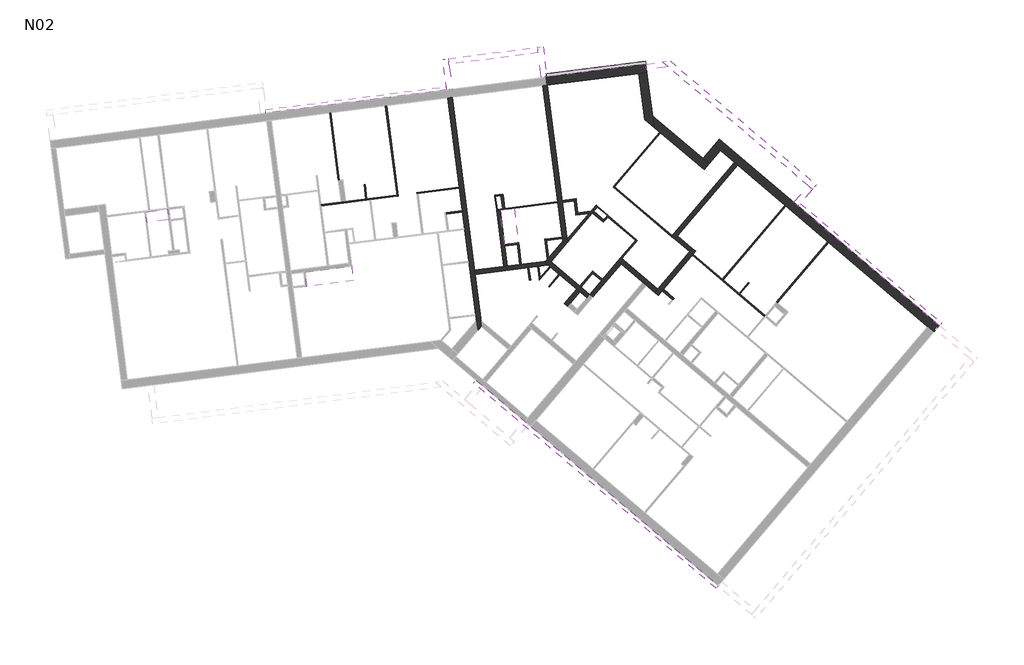
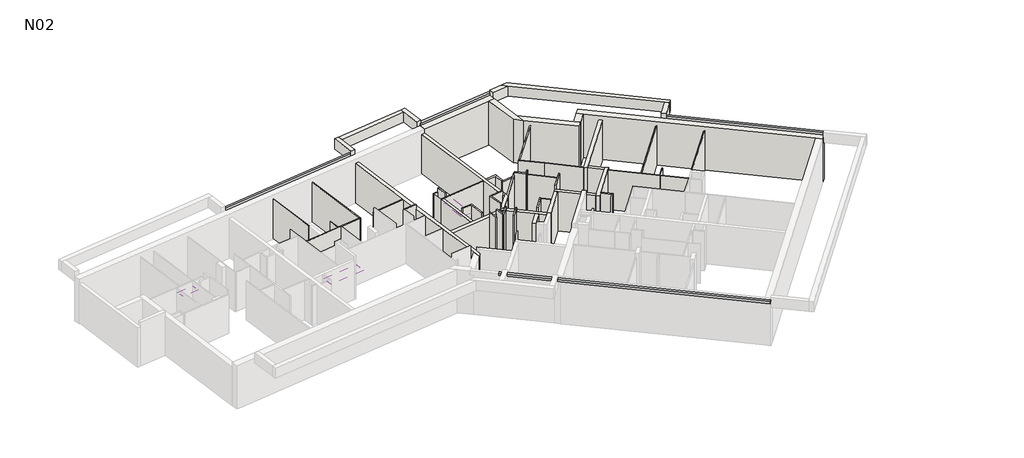
# One storey, part 3 of 3: 60 walls, 5 proxies, 3 coverings.
"""IFC4 building model written with IfcOpenShell, lengths in millimetres."""

from ifc_helpers import new_model, si_unit, frame, origin, place, context, project, spatial, polyline, outline, extrude, faceted_brep, element, save

model = new_model("IFC4")

# Units and contexts
model_context = context("Model", 3, world=origin())
ifc_project = project(units=[si_unit("LENGTHUNIT", "METRE", prefix="MILLI")], contexts=[model_context])

# Site, building, storey
site = spatial("IfcSite", under=ifc_project)
building = spatial("IfcBuilding", under=site)
storey = spatial("IfcBuildingStorey", under=building, Name="N02", Elevation=5840.0)

# Proxies
placement = place(None, origin())
element("IfcBuildingElementProxy", 1, Name="Wall Sweeps", at=placement, inside=storey, context=model_context, shape_type="SweptSolid", body=[
    extrude(outline(polyline([(-1693.082064, 24563.8787157), (-1712.402925, 24715.0490313), (6487.7596003, 25763.1000271), (6507.0804612, 25611.9297114), (-1693.082064, 24563.8787157)])), frame((0.0, 0.0, 8600.0), z_axis=(0.0, 0.0, 1.0), x_axis=(1.0, 0.0, 0.0)), (0.0, 0.0, 1.0), 152.4),
])
element("IfcBuildingElementProxy", 2, Name="Wall Sweeps", at=placement, inside=storey, context=model_context, shape_type="Brep", body=[
    faceted_brep([(18742.8476858, 2975.0244292, 8752.4), (18742.8476858, 2975.0244292, 8600.0), (18828.5197694, 3075.9702271, 8600.0), (18841.4611717, 3091.218837, 8600.0), (18841.4611717, 3091.218837, 8752.4), (18828.5197694, 3075.9702271, 8752.4), (7751.0559152, 12303.6911296, 8600.0), (7751.0559152, 12303.6911296, 8752.4), (7849.6694011, 12419.8855374, 8752.4), (7849.6694011, 12419.8855374, 8600.0)], [[[0, 1, 2, 3, 4, 5]], [[6, 7, 8, 9]], [[1, 0, 7, 6]], [[4, 3, 9, 8]], [[8, 7, 0, 5, 4]], [[6, 9, 3, 2, 1]]]),
])
element("IfcBuildingElementProxy", 3, Name="Wall Sweeps", at=placement, inside=storey, context=model_context, shape_type="Brep", body=[
    faceted_brep([(22474.640136, 20337.4839169, 8600.0), (22474.640136, 20337.4839169, 8752.4), (22573.2536219, 20453.6783247, 8752.4), (22573.2536219, 20453.6783247, 8600.0), (28881.1111531, 14900.3510007, 8600.0), (28894.0525555, 14915.5996106, 8600.0), (28979.724639, 15016.5454084, 8600.0), (28979.724639, 15016.5454084, 8752.4), (28894.0525555, 14915.5996106, 8752.4), (28881.1111531, 14900.3510007, 8752.4), (28871.0479912, 14908.8915449, 8600.0), (28871.0479912, 14908.8915449, 8752.4)], [[[0, 1, 2, 3]], [[4, 5, 6, 7, 8, 9]], [[3, 2, 7, 6]], [[1, 0, 10, 4, 9, 11]], [[2, 1, 11, 9, 8, 7]], [[0, 3, 6, 5, 4, 10]]]),
])
element("IfcBuildingElementProxy", 4, Name="Wall Sweeps", at=placement, inside=storey, context=model_context, shape_type="SweptSolid", body=[
    extrude(outline(polyline([(11067.1915012, 26194.7509544), (11047.8706403, 26345.9212701), (15541.3189991, 26920.2224516), (15560.63986, 26769.0521359), (11067.1915012, 26194.7509544)])), frame((0.0, 0.0, 5830.0), z_axis=(0.0, 0.0, 1.0), x_axis=(1.0, 0.0, 0.0)), (0.0, 0.0, 1.0), 152.4),
])
element("IfcBuildingElementProxy", 5, Name="Wall Sweeps", at=placement, inside=storey, context=model_context, shape_type="SweptSolid", body=[
    extrude(outline(polyline([(11012.6352849, 26187.7782028), (10993.314424, 26338.9485184), (15541.3189991, 26920.2224516), (15560.63986, 26769.0521359), (11012.6352849, 26187.7782028)])), frame((0.0, 0.0, 8600.0), z_axis=(0.0, 0.0, 1.0), x_axis=(1.0, 0.0, 0.0)), (0.0, 0.0, 1.0), 152.4),
])

# Coverings
element("IfcCovering", 6, at=placement, inside=storey, context=model_context, shape_type="SweptSolid", body=[
    extrude(outline(polyline([(-7086.8994883, 19589.9313294), (-7148.5178036, 20072.0454652), (-6161.5462546, 20198.1888814), (-6099.9279393, 19716.0747456), (-7086.8994883, 19589.9313294)])), frame((0.0, 0.0, 8040.0), z_axis=(0.0, 0.0, 1.0), x_axis=(1.0, 0.0, 0.0)), (0.0, 0.0, 1.0), 200.0),
])
element("IfcCovering", 7, at=placement, inside=storey, context=model_context, shape_type="SweptSolid", body=[
    extrude(outline(polyline([(2197.7093677, 17602.6069365), (2279.1565396, 16947.6478588), (168.5348616, 16685.1823515), (87.0876897, 17340.1414292), (2197.7093677, 17602.6069365)])), frame((0.0, 0.0, 8040.0), z_axis=(0.0, 0.0, 1.0), x_axis=(1.0, 0.0, 0.0)), (0.0, 0.0, 1.0), 200.0),
])
element("IfcCovering", 8, at=placement, inside=storey, context=model_context, shape_type="SweptSolid", body=[
    extrude(outline(polyline([(9579.1307714, 20232.9999918), (9778.1711367, 18675.6679999), (9147.9611711, 18595.1217693), (8948.9208057, 20152.4537612), (9579.1307714, 20232.9999918)])), frame((0.0, 0.0, 8040.0), z_axis=(0.0, 0.0, 1.0), x_axis=(1.0, 0.0, 0.0)), (0.0, 0.0, 1.0), 200.0),
])

# Walls
element("IfcWall", 9, at=placement, inside=storey, context=model_context, shape_type="Brep", body=[
    faceted_brep([(18653.8556953, 23094.8702544, 8610.0), (18653.8556953, 23094.8702544, 5840.0), (18935.9549793, 22855.454311, 5840.0), (19566.3334351, 22320.4559566, 5840.0), (19718.8195346, 22191.0419331, 5840.0), (21868.8735369, 20366.3042021, 5840.0), (21906.9950618, 20333.9506962, 5840.0), (23813.071305, 18716.2754028, 5840.0), (23851.1928298, 18683.9218969, 5840.0), (28349.5327638, 14866.2082043, 5840.0), (28631.6320478, 14626.7922609, 5840.0), (28631.6320478, 14626.7922609, 8610.0), (28349.5327638, 14866.2082043, 8610.0), (18935.9549793, 22855.454311, 8610.0), (18893.2716388, 23376.9695384, 5840.0), (18893.2716388, 23376.9695384, 8610.0), (28871.0479912, 14908.8915449, 8610.0), (28871.0479912, 14908.8915449, 8280.0), (28871.0479912, 14908.8915449, 5840.0)], [[[0, 1, 2, 3, 4, 5, 6, 7, 8, 9, 10, 11, 12, 13]], [[14, 15, 16, 17, 18]], [[10, 9, 8, 7, 6, 5, 4, 3, 2, 1, 14, 18]], [[0, 13, 12, 11, 16, 15]], [[0, 15, 14, 1]], [[10, 18, 17, 16, 11]]]),
])
element("IfcWall", 10, at=placement, inside=storey, context=model_context, shape_type="Brep", body=[
    faceted_brep([(6573.8266873, 25247.4507116, 5840.0), (7091.298347, 21198.648002, 5840.0), (7097.6372121, 21149.0514417, 5840.0), (7227.2035217, 20135.2984845, 5840.0), (7236.0779329, 20065.8633002, 5840.0), (7330.9074492, 19323.8980245, 5840.0), (7337.2463143, 19274.3014642, 5840.0), (7522.1261366, 17827.764419, 5840.0), (7528.4650018, 17778.1678588, 5840.0), (7830.1949823, 15417.3715908, 5840.0), (7836.5338475, 15367.7750306, 5840.0), (7865.2890942, 15142.7881766, 5840.0), (7925.3724793, 14672.6836444, 5840.0), (7925.3724793, 14672.6836444, 8340.0), (7865.2890942, 15142.7881766, 8340.0), (7528.4650018, 17778.1678588, 8340.0), (7522.1261366, 17827.764419, 8340.0), (7337.2463143, 19274.3014642, 8340.0), (7330.9074492, 19323.8980245, 8340.0), (7097.6372121, 21149.0514417, 8340.0), (7091.298347, 21198.648002, 8340.0), (6573.8266873, 25247.4507116, 8340.0), (6772.2129283, 25272.8061722, 5840.0), (6772.2129283, 25272.8061722, 8340.0), (7775.7214118, 17421.1532528, 8340.0), (7801.0768724, 17222.7670118, 8340.0), (8100.609629, 14879.1622679, 8340.0), (8100.609629, 14879.1622679, 5840.0), (7801.0768724, 17222.7670118, 5840.0), (7775.7214118, 17421.1532528, 5840.0)], [[[0, 1, 2, 3, 4, 5, 6, 7, 8, 9, 10, 11, 12, 13, 14, 15, 16, 17, 18, 19, 20, 21]], [[22, 23, 24, 25, 26, 27, 28, 29]], [[12, 11, 10, 9, 8, 7, 6, 5, 4, 3, 2, 1, 0, 22, 29, 28, 27]], [[21, 20, 19, 18, 17, 16, 15, 14, 13, 26, 25, 24, 23]], [[13, 12, 27, 26]], [[0, 21, 23, 22]]]),
])
element("IfcWall", 11, at=placement, inside=storey, context=model_context, shape_type="Brep", body=[
    faceted_brep([(10925.0598005, 17823.6656693, 5840.0), (7775.7214118, 17421.1532528, 5840.0), (7775.7214118, 17421.1532528, 8340.0), (10925.0598005, 17823.6656693, 8340.0), (11131.5384241, 17648.4285197, 5840.0), (11131.5384241, 17648.4285197, 8340.0), (7801.0768724, 17222.7670118, 8340.0), (7801.0768724, 17222.7670118, 5840.0), (10201.5503886, 17529.5680845, 5840.0), (10251.1469488, 17535.9069496, 5840.0), (10647.9194308, 17586.6178707, 5840.0), (10697.5159911, 17592.9567358, 5840.0)], [[[0, 1, 2, 3]], [[4, 5, 6, 7, 8, 9, 10, 11]], [[1, 0, 4, 11, 10, 9, 8, 7]], [[3, 2, 6, 5]], [[2, 1, 7, 6]], [[0, 3, 5, 4]]]),
])
element("IfcWall", 12, at=placement, inside=storey, context=model_context, shape_type="Brep", body=[
    faceted_brep([(16117.4722812, 16278.6968395, 5840.0), (17665.7819934, 18103.0409285, 5840.0), (17698.1354993, 18141.1624533, 5840.0), (17819.26669, 18283.8890473, 5840.0), (17819.26669, 18283.8890473, 8340.0), (17698.1354993, 18141.1624533, 8340.0), (17665.7819934, 18103.0409285, 8340.0), (16117.4722812, 16278.6968395, 8340.0), (15964.9861818, 16408.110863, 5840.0), (15964.9861818, 16408.110863, 8340.0), (16094.4002053, 16560.5969624, 8340.0), (17537.366567, 18260.8169713, 8340.0), (17666.7805905, 18413.3030708, 8340.0), (17666.7805905, 18413.3030708, 5840.0), (17537.366567, 18260.8169713, 5840.0), (16094.4002053, 16560.5969624, 5840.0)], [[[0, 1, 2, 3, 4, 5, 6, 7]], [[8, 9, 10, 11, 12, 13, 14, 15]], [[3, 2, 1, 0, 8, 15, 14, 13]], [[7, 6, 5, 4, 12, 11, 10, 9]], [[0, 7, 9, 8]], [[4, 3, 13, 12]]]),
])
element("IfcWall", 13, at=placement, inside=storey, context=model_context, shape_type="Brep", body=[
    faceted_brep([(16094.4002053, 16560.5969624, 5840.0), (14463.2402497, 17944.9524777, 5840.0), (14409.8701149, 17990.2473859, 5840.0), (14409.8701149, 17990.2473859, 8340.0), (16094.4002053, 16560.5969624, 8340.0), (15964.9861818, 16408.110863, 5840.0), (15964.9861818, 16408.110863, 8340.0), (14432.9421908, 17708.347263, 8340.0), (14280.4560914, 17837.7612865, 8340.0), (14280.4560914, 17837.7612865, 5840.0), (14432.9421908, 17708.347263, 5840.0), (15426.1566773, 16865.4121802, 5840.0), (15578.6427768, 16735.9981567, 5840.0)], [[[0, 1, 2, 3, 4]], [[5, 6, 7, 8, 9, 10, 11, 12]], [[2, 1, 0, 5, 12, 11, 10, 9]], [[4, 3, 8, 7, 6]], [[0, 4, 6, 5]], [[3, 2, 9, 8]]]),
])
element("IfcWall", 14, at=placement, inside=storey, context=model_context, shape_type="Brep", body=[
    faceted_brep([(11253.4682327, 17807.2664267, 5840.0), (11988.2104067, 18672.9992524, 5840.0), (11988.2104067, 18672.9992524, 8340.0), (11253.4682327, 17807.2664267, 8340.0), (11014.8014897, 17835.1354258, 5840.0), (11014.8014897, 17835.1354258, 8340.0), (11778.6398941, 18735.1517901, 8340.0), (11953.8770438, 18941.6304136, 8340.0), (11953.8770438, 18941.6304136, 5840.0), (11778.6398941, 18735.1517901, 5840.0), (11193.6909618, 17857.9990323, 5840.0), (11971.0437253, 18807.314833, 5840.0), (11971.0437253, 18807.314833, 8340.0), (11193.6909618, 17857.9990323, 8340.0)], [[[0, 1, 2, 3]], [[4, 5, 6, 7, 8, 9]], [[1, 0, 10, 4, 9, 8, 11]], [[3, 2, 12, 7, 6, 5, 13]], [[2, 1, 11, 8, 7, 12]], [[0, 3, 13, 10]], [[13, 5, 4, 10]]]),
])
element("IfcWall", 15, at=placement, inside=storey, context=model_context, shape_type="Brep", body=[
    faceted_brep([(16305.8852466, 26884.4635671, 8280.0), (16574.3074572, 26656.6552726, 8280.0), (22923.4783241, 21268.1526447, 8280.0), (23121.7102534, 21099.9144142, 8280.0), (23121.7102534, 21099.9144142, 8920.0), (22923.4783241, 21268.1526447, 8920.0), (16574.3074572, 26656.6552726, 8920.0), (16305.8852466, 26884.4635671, 8920.0), (16655.1057562, 26929.0969389, 8280.0), (16655.1057562, 26929.0969389, 8920.0), (23289.9484839, 21298.1463435, 8920.0), (23289.9484839, 21298.1463435, 8280.0)], [[[0, 1, 2, 3, 4, 5, 6, 7]], [[8, 9, 10, 11]], [[3, 2, 1, 0, 8, 11]], [[7, 6, 5, 4, 10, 9]], [[4, 3, 11, 10]], [[0, 7, 9, 8]]]),
])
element("IfcWall", 16, at=placement, inside=storey, context=model_context, shape_type="Brep", body=[
    faceted_brep([(11953.8770438, 18941.6304136, 5840.0), (11755.4687414, 20494.0170177, 5840.0), (11742.7910111, 20593.2101382, 5840.0), (11074.421855, 25822.6653165, 5840.0), (11074.421855, 25822.6653165, 8340.0), (11742.7910111, 20593.2101382, 8340.0), (11755.4687414, 20494.0170177, 8340.0), (11953.8770438, 18941.6304136, 8340.0), (11778.6398941, 18735.1517901, 5840.0), (11778.6398941, 18735.1517901, 8340.0), (11554.9273719, 20485.5237178, 8340.0), (11548.5885067, 20535.120278, 8340.0), (10876.035614, 25797.3098559, 8340.0), (10876.035614, 25797.3098559, 5840.0), (11548.5885067, 20535.120278, 5840.0), (11554.9273719, 20485.5237178, 5840.0)], [[[0, 1, 2, 3, 4, 5, 6, 7]], [[8, 9, 10, 11, 12, 13, 14, 15]], [[3, 2, 1, 0, 8, 15, 14, 13]], [[7, 6, 5, 4, 12, 11, 10, 9]], [[0, 7, 9, 8]], [[4, 3, 13, 12]]]),
])
element("IfcWall", 17, at=placement, inside=storey, context=model_context, shape_type="Brep", body=[
    faceted_brep([(16866.4850211, 18830.1900516, 5840.0), (16995.8990446, 18982.676151, 5840.0), (19718.8195346, 22191.0419331, 5840.0), (19718.8195346, 22191.0419331, 8340.0), (16995.8990446, 18982.676151, 8340.0), (16866.4850211, 18830.1900516, 8340.0), (16713.9989216, 18959.604075, 5840.0), (16713.9989216, 18959.604075, 8340.0), (16746.3524275, 18997.7255999, 8340.0), (19566.3334351, 22320.4559566, 8340.0), (19566.3334351, 22320.4559566, 5840.0), (16746.3524275, 18997.7255999, 5840.0)], [[[0, 1, 2, 3, 4, 5]], [[6, 7, 8, 9, 10, 11]], [[2, 1, 0, 6, 11, 10]], [[5, 4, 3, 9, 8, 7]], [[3, 2, 10, 9]], [[0, 5, 7, 6]]]),
])
element("IfcWall", 18, at=placement, inside=storey, context=model_context, shape_type="Brep", body=[
    faceted_brep([(15240.5329162, 26355.1299881, 5840.0), (15507.785135, 24264.0946865, 5840.0), (15507.785135, 24264.0946865, 8610.0), (15240.5329162, 26355.1299881, 8610.0), (15607.547462, 26402.0375901, 5840.0), (15607.547462, 26402.0375901, 8610.0), (15856.6075253, 24453.3413857, 8610.0), (15926.1781059, 23909.0071215, 8610.0), (15926.1781059, 23909.0071215, 5840.0), (15856.6075253, 24453.3413857, 5840.0)], [[[0, 1, 2, 3]], [[4, 5, 6, 7, 8, 9]], [[1, 0, 4, 9, 8]], [[3, 2, 7, 6, 5]], [[0, 3, 5, 4]], [[2, 1, 8, 7]]]),
])
element("IfcWall", 19, at=placement, inside=storey, context=model_context, shape_type="Brep", body=[
    faceted_brep([(15926.1781059, 23909.0071215, 5840.0), (18195.5282503, 21983.0234816, 5840.0), (18195.5282503, 21983.0234816, 8610.0), (15926.1781059, 23909.0071215, 8610.0), (15856.6075253, 24453.3413857, 5840.0), (15856.6075253, 24453.3413857, 8610.0), (18152.8449097, 22504.538709, 8610.0), (18434.9441937, 22265.1227656, 8610.0), (18434.9441937, 22265.1227656, 5840.0), (18152.8449097, 22504.538709, 5840.0)], [[[0, 1, 2, 3]], [[4, 5, 6, 7, 8, 9]], [[1, 0, 4, 9, 8]], [[3, 2, 7, 6, 5]], [[0, 3, 5, 4]], [[2, 1, 8, 7]]]),
])
element("IfcWall", 20, at=placement, inside=storey, context=model_context, shape_type="SweptSolid", body=[
    extrude(outline(polyline([(18935.9549793, 22855.454311), (18434.9441937, 22265.1227656), (18152.8449097, 22504.538709), (18653.8556953, 23094.8702544), (18935.9549793, 22855.454311)])), frame((0.0, 0.0, 5840.0), z_axis=(0.0, 0.0, 1.0), x_axis=(1.0, 0.0, 0.0)), (0.0, 0.0, 1.0), 2770.0),
])
element("IfcWall", 21, at=placement, inside=storey, context=model_context, shape_type="Brep", body=[
    faceted_brep([(6764.9825745, 25644.8918101, 8920.0), (6764.9825745, 25644.8918101, 8280.0), (6620.4564494, 26775.6933839, 8280.0), (6587.4943507, 27033.5954972, 8280.0), (6587.4943507, 27033.5954972, 8920.0), (6620.4564494, 26775.6933839, 8920.0), (6507.0804612, 25611.9297114, 8280.0), (6507.0804612, 25611.9297114, 8920.0), (6329.5922373, 27000.6333984, 8920.0), (6329.5922373, 27000.6333984, 8280.0)], [[[0, 1, 2, 3, 4, 5]], [[6, 7, 8, 9]], [[3, 2, 1, 6, 9]], [[0, 5, 4, 8, 7]], [[4, 3, 9, 8]], [[0, 7, 6, 1]]]),
])
element("IfcWall", 22, at=placement, inside=storey, context=model_context, shape_type="Brep", body=[
    faceted_brep([(11064.6559552, 26214.5895786, 8280.0), (10889.7032774, 27583.4546415, 8280.0), (10889.7032774, 27583.4546415, 8920.0), (11064.6559552, 26214.5895786, 8920.0), (10806.7538419, 26181.6274798, 8280.0), (10806.7538419, 26181.6274798, 8920.0), (10664.7632628, 27292.5904295, 8920.0), (10631.8011641, 27550.4925428, 8920.0), (10631.8011641, 27550.4925428, 8280.0), (10664.7632628, 27292.5904295, 8280.0)], [[[0, 1, 2, 3]], [[4, 5, 6, 7, 8, 9]], [[1, 0, 4, 9, 8]], [[3, 2, 7, 6, 5]], [[0, 3, 5, 4]], [[2, 1, 8, 7]]]),
])
element("IfcWall", 23, at=placement, inside=storey, context=model_context, shape_type="SweptSolid", body=[
    extrude(outline(polyline([(10664.7632628, 27292.5904295), (6620.4564494, 26775.6933839), (6587.4943507, 27033.5954972), (10631.8011641, 27550.4925428), (10664.7632628, 27292.5904295)])), frame((0.0, 0.0, 8280.0), z_axis=(0.0, 0.0, 1.0), x_axis=(1.0, 0.0, 0.0)), (0.0, 0.0, 1.0), 640.0),
])
element("IfcWall", 24, at=placement, inside=storey, context=model_context, shape_type="SweptSolid", body=[
    extrude(outline(polyline([(23121.7102534, 21099.9144142), (22474.640136, 20337.4839169), (22276.4082067, 20505.7221474), (22923.4783241, 21268.1526447), (23121.7102534, 21099.9144142)])), frame((0.0, 0.0, 8280.0), z_axis=(0.0, 0.0, 1.0), x_axis=(1.0, 0.0, 0.0)), (0.0, 0.0, 1.0), 640.0),
])
element("IfcWall", 25, at=placement, inside=storey, context=model_context, shape_type="Brep", body=[
    faceted_brep([(11059.542887, 25820.7636569, 8610.0), (11059.542887, 25820.7636569, 5780.0), (15607.547462, 26402.0375901, 5780.0), (15607.547462, 26402.0375901, 5840.0), (15607.547462, 26402.0375901, 8610.0), (15240.5329162, 26355.1299881, 8610.0), (11012.6352849, 26187.7782028, 5780.0), (11012.6352849, 26187.7782028, 8610.0), (15193.6253141, 26722.1445339, 8610.0), (15560.63986, 26769.0521359, 8610.0), (15560.63986, 26769.0521359, 5780.0)], [[[0, 1, 2, 3, 4, 5]], [[6, 7, 8, 9, 10]], [[2, 1, 6, 10]], [[0, 5, 4, 9, 8, 7]], [[4, 3, 2, 10, 9]], [[0, 7, 6, 1]]]),
])
element("IfcWall", 26, at=placement, inside=storey, context=model_context, shape_type="Brep", body=[
    faceted_brep([(16305.8852466, 26884.4635671, 8280.0), (15558.1043139, 26788.89076, 8280.0), (15558.1043139, 26788.89076, 8600.0), (15558.1043139, 26788.89076, 8752.4), (15558.1043139, 26788.89076, 8920.0), (16305.8852466, 26884.4635671, 8920.0), (15591.0664127, 26530.9886467, 8280.0), (16574.3074572, 26656.6552726, 8280.0), (16574.3074572, 26656.6552726, 8920.0), (15591.0664127, 26530.9886467, 8920.0)], [[[0, 1, 2, 3, 4, 5]], [[6, 7, 8, 9]], [[1, 0, 7, 6]], [[6, 9, 4, 3, 2, 1]], [[5, 4, 9, 8]], [[0, 5, 8, 7]]]),
])
element("IfcWall", 27, at=placement, inside=storey, context=model_context, shape_type="Brep", body=[
    faceted_brep([(12000.6753302, 15769.7097053, 5840.0), (12130.0893537, 15922.1958047, 5840.0), (12563.6263324, 16433.0242379, 5840.0), (12563.6263324, 16433.0242379, 8340.0), (12130.0893537, 15922.1958047, 8340.0), (12000.6753302, 15769.7097053, 8340.0), (11848.1892308, 15899.1237288, 5840.0), (11848.1892308, 15899.1237288, 8340.0), (12411.1402329, 16562.4382614, 8340.0), (12411.1402329, 16562.4382614, 5840.0)], [[[0, 1, 2, 3, 4, 5]], [[6, 7, 8, 9]], [[2, 1, 0, 6, 9]], [[5, 4, 3, 8, 7]], [[0, 5, 7, 6]], [[3, 2, 9, 8]]]),
])
element("IfcWall", 28, at=placement, inside=storey, context=model_context, shape_type="Brep", body=[
    faceted_brep([(12998.0125548, 16326.6822904, 5840.0), (11253.4682327, 17807.2664267, 5840.0), (11193.6909618, 17857.9990323, 5840.0), (11193.6909618, 17857.9990323, 8340.0), (11253.4682327, 17807.2664267, 8340.0), (12998.0125548, 16326.6822904, 8340.0), (12868.5985313, 16174.196191, 5840.0), (12868.5985313, 16174.196191, 8340.0), (12563.6263324, 16433.0242379, 8340.0), (12411.1402329, 16562.4382614, 8340.0), (11131.5384241, 17648.4285197, 8340.0), (10925.0598005, 17823.6656693, 8340.0), (10925.0598005, 17823.6656693, 5840.0), (11131.5384241, 17648.4285197, 5840.0), (11191.2514373, 17597.7504492, 5840.0), (11229.3729621, 17565.3969433, 5840.0), (11610.5882108, 17241.8618846, 5840.0), (11648.7097356, 17209.5083788, 5840.0), (12411.1402329, 16562.4382614, 5840.0), (12563.6263324, 16433.0242379, 5840.0), (11014.8014897, 17835.1354258, 5840.0), (11014.8014897, 17835.1354258, 8340.0)], [[[0, 1, 2, 3, 4, 5]], [[6, 7, 8, 9, 10, 11, 12, 13, 14, 15, 16, 17, 18, 19]], [[2, 1, 0, 6, 19, 18, 17, 16, 15, 14, 13, 12, 20]], [[5, 4, 3, 21, 11, 10, 9, 8, 7]], [[0, 5, 7, 6]], [[3, 2, 20, 12, 11, 21]]]),
])
element("IfcWall", 29, at=placement, inside=storey, context=model_context, shape_type="SweptSolid", body=[
    extrude(outline(polyline([(14432.9421908, 17708.347263), (13150.4986542, 16197.2682669), (12998.0125548, 16326.6822904), (14280.4560914, 17837.7612865), (14432.9421908, 17708.347263)])), frame((0.0, 0.0, 5840.0), z_axis=(0.0, 0.0, 1.0), x_axis=(1.0, 0.0, 0.0)), (0.0, 0.0, 1.0), 2500.0),
])
element("IfcWall", 30, at=placement, inside=storey, context=model_context, shape_type="SweptSolid", body=[
    extrude(outline(polyline([(16995.8990446, 18982.676151), (17666.7805905, 18413.3030708), (17537.366567, 18260.8169713), (16866.4850211, 18830.1900516), (16995.8990446, 18982.676151)])), frame((0.0, 0.0, 5840.0), z_axis=(0.0, 0.0, 1.0), x_axis=(1.0, 0.0, 0.0)), (0.0, 0.0, 1.0), 2500.0),
])
element("IfcWall", 31, ObjectType="CLO 10", at=placement, inside=storey, context=model_context, shape_type="Brep", body=[
    faceted_brep([(16292.1812129, 16484.5530737, 5840.0), (16749.6395113, 16096.3110033, 5840.0), (16787.7610362, 16063.9574974, 5840.0), (16787.7610362, 16063.9574974, 8340.0), (16749.6395113, 16096.3110033, 8340.0), (16292.1812129, 16484.5530737, 8340.0), (16356.8882247, 16560.7961235, 5840.0), (16356.8882247, 16560.7961235, 8340.0), (16852.4680479, 16140.2005472, 8340.0), (16852.4680479, 16140.2005472, 5840.0)], [[[0, 1, 2, 3, 4, 5]], [[6, 7, 8, 9]], [[2, 1, 0, 6, 9]], [[5, 4, 3, 8, 7]], [[0, 5, 7, 6]], [[3, 2, 9, 8]]]),
])
element("IfcWall", 32, ObjectType="CLO 10", at=placement, inside=storey, context=model_context, shape_type="Brep", body=[
    faceted_brep([(9150.8874937, 20228.673555, 5840.0), (9074.821112, 20823.832278, 5840.0), (9074.821112, 20823.832278, 8340.0), (9074.821112, 20823.832278, 8610.0), (9150.8874937, 20228.673555, 8610.0), (9051.6943732, 20215.9958247, 5840.0), (9051.6943732, 20215.9958247, 8610.0), (8975.6279915, 20811.1545478, 8610.0), (8975.6279915, 20811.1545478, 5840.0)], [[[0, 1, 2, 3, 4]], [[5, 6, 7, 8]], [[1, 0, 5, 8]], [[4, 3, 7, 6]], [[0, 4, 6, 5]], [[3, 2, 1, 8, 7]]]),
])
element("IfcWall", 33, ObjectType="CLO 10", at=placement, inside=storey, context=model_context, shape_type="Brep", body=[
    faceted_brep([(11988.2104067, 18672.9992524, 5840.0), (13133.4245751, 20022.3834758, 5840.0), (13198.1315868, 20098.6265256, 5840.0), (13359.8991162, 20289.2341499, 5840.0), (13372.8405185, 20304.4827598, 5840.0), (13372.8405185, 20304.4827598, 8340.0), (13359.8991162, 20289.2341499, 8340.0), (11988.2104067, 18672.9992524, 8340.0), (11971.0437253, 18807.314833, 5840.0), (11971.0437253, 18807.314833, 8340.0), (12979.1301683, 19995.1240478, 8340.0), (13075.0997805, 20108.2032291, 8340.0), (13296.5974688, 20369.1897716, 8340.0), (13296.5974688, 20369.1897716, 5840.0), (13075.0997805, 20108.2032291, 5840.0), (12979.1301683, 19995.1240478, 5840.0)], [[[0, 1, 2, 3, 4, 5, 6, 7]], [[8, 9, 10, 11, 12, 13, 14, 15]], [[4, 3, 2, 1, 0, 8, 15, 14, 13]], [[7, 6, 5, 12, 11, 10, 9]], [[0, 7, 9, 8]], [[5, 4, 13, 12]]]),
])
element("IfcWall", 34, ObjectType="CLO 10", at=placement, inside=storey, context=model_context, shape_type="Brep", body=[
    faceted_brep([(13075.0997805, 20108.2032291, 5840.0), (12469.9515412, 20030.8601017, 5840.0), (12370.7584207, 20018.1823715, 5840.0), (12370.7584207, 20018.1823715, 8340.0), (12469.9515412, 20030.8601017, 8340.0), (13075.0997805, 20108.2032291, 8340.0), (12979.1301683, 19995.1240478, 5840.0), (12979.1301683, 19995.1240478, 8340.0), (12383.436151, 19918.989251, 8340.0), (12383.436151, 19918.989251, 5840.0)], [[[0, 1, 2, 3, 4, 5]], [[6, 7, 8, 9]], [[2, 1, 0, 6, 9]], [[5, 4, 3, 8, 7]], [[0, 5, 7, 6]], [[3, 2, 9, 8]]]),
])
element("IfcWall", 35, ObjectType="CLO 10", at=placement, inside=storey, context=model_context, shape_type="Brep", body=[
    faceted_brep([(12387.5462944, 20675.615385, 5840.0), (11742.7910111, 20593.2101382, 5840.0), (11742.7910111, 20593.2101382, 8340.0), (12387.5462944, 20675.615385, 8340.0), (12400.2240247, 20576.4222645, 5840.0), (12400.2240247, 20576.4222645, 8340.0), (12301.0309042, 20563.7445342, 8340.0), (11755.4687414, 20494.0170177, 8340.0), (11755.4687414, 20494.0170177, 5840.0), (12301.0309042, 20563.7445342, 5840.0)], [[[0, 1, 2, 3]], [[4, 5, 6, 7, 8, 9]], [[1, 0, 4, 9, 8]], [[3, 2, 7, 6, 5]], [[0, 3, 5, 4]], [[2, 1, 8, 7]]]),
])
element("IfcWall", 36, ObjectType="CLO 10", at=placement, inside=storey, context=model_context, shape_type="SweptSolid", body=[
    extrude(outline(polyline([(12370.7584207, 20018.1823715), (12301.0309042, 20563.7445342), (12400.2240247, 20576.4222645), (12469.9515412, 20030.8601017), (12370.7584207, 20018.1823715)])), frame((0.0, 0.0, 5840.0), z_axis=(0.0, 0.0, 1.0), x_axis=(1.0, 0.0, 0.0)), (0.0, 0.0, 1.0), 2500.0),
])
element("IfcWall", 37, ObjectType="CLO 10", at=placement, inside=storey, context=model_context, shape_type="Brep", body=[
    faceted_brep([(13133.4245751, 20022.3834758, 5840.0), (13629.0043983, 19601.7878995, 5840.0), (13629.0043983, 19601.7878995, 8610.0), (13133.4245751, 20022.3834758, 8610.0), (13198.1315868, 20098.6265256, 5840.0), (13198.1315868, 20098.6265256, 8610.0), (13655.5898852, 19710.3844551, 8610.0), (13693.7114101, 19678.0309493, 8610.0), (13693.7114101, 19678.0309493, 5840.0), (13655.5898852, 19710.3844551, 5840.0)], [[[0, 1, 2, 3]], [[4, 5, 6, 7, 8, 9]], [[1, 0, 4, 9, 8]], [[3, 2, 7, 6, 5]], [[2, 1, 8, 7]], [[0, 3, 5, 4]]]),
])
element("IfcWall", 38, ObjectType="CLO 2", at=placement, inside=storey, context=model_context, shape_type="SweptSolid", body=[
    extrude(outline(polyline([(8783.8729478, 20181.765953), (8707.8065662, 20776.924676), (8727.6451903, 20779.4602221), (8803.7115719, 20184.3014991), (8783.8729478, 20181.765953)])), frame((0.0, 0.0, 5840.0), z_axis=(0.0, 0.0, 1.0), x_axis=(1.0, 0.0, 0.0)), (0.0, 0.0, 1.0), 2500.0),
])
element("IfcWall", 39, ObjectType="CLO 2", at=placement, inside=storey, context=model_context, shape_type="SweptSolid", body=[
    extrude(outline(polyline([(13817.3574145, 19900.9920795), (13359.8991162, 20289.2341499), (13372.8405185, 20304.4827598), (13830.2988169, 19916.2406894), (13817.3574145, 19900.9920795)])), frame((0.0, 0.0, 5840.0), z_axis=(0.0, 0.0, 1.0), x_axis=(1.0, 0.0, 0.0)), (0.0, 0.0, 1.0), 2500.0),
])
element("IfcWall", 40, ObjectType="CLO 5", at=placement, inside=storey, context=model_context, shape_type="Brep", body=[
    faceted_brep([(17665.7819934, 18103.0409285, 5840.0), (20936.6661184, 15327.0615018, 5840.0), (20936.6661184, 15327.0615018, 8340.0), (17665.7819934, 18103.0409285, 8340.0), (17698.1354993, 18141.1624533, 5840.0), (17698.1354993, 18141.1624533, 8340.0), (19024.8218562, 17015.211826, 8340.0), (19062.9433811, 16982.8583201, 8340.0), (19785.9138685, 16369.2776726, 8340.0), (19824.0353934, 16336.9241668, 8340.0), (20969.0196243, 15365.1830266, 8340.0), (20969.0196243, 15365.1830266, 5840.0), (19824.0353934, 16336.9241668, 5840.0), (19785.9138685, 16369.2776726, 5840.0), (19062.9433811, 16982.8583201, 5840.0), (19024.8218562, 17015.211826, 5840.0)], [[[0, 1, 2, 3]], [[4, 5, 6, 7, 8, 9, 10, 11, 12, 13, 14, 15]], [[1, 0, 4, 15, 14, 13, 12, 11]], [[3, 2, 10, 9, 8, 7, 6, 5]], [[2, 1, 11, 10]], [[0, 3, 5, 4]]]),
])
element("IfcWall", 41, ObjectType="CLO 5", at=placement, inside=storey, context=model_context, shape_type="SweptSolid", body=[
    extrude(outline(polyline([(21906.9950618, 20333.9506962), (19062.9433811, 16982.8583201), (19024.8218562, 17015.211826), (21868.8735369, 20366.3042021), (21906.9950618, 20333.9506962)])), frame((0.0, 0.0, 5840.0), z_axis=(0.0, 0.0, 1.0), x_axis=(1.0, 0.0, 0.0)), (0.0, 0.0, 1.0), 2500.0),
])
element("IfcWall", 42, ObjectType="CLO 5", at=placement, inside=storey, context=model_context, shape_type="SweptSolid", body=[
    extrude(outline(polyline([(23851.1928298, 18683.9218969), (21521.7404072, 15939.1721067), (21483.6188824, 15971.5256125), (23813.071305, 18716.2754028), (23851.1928298, 18683.9218969)])), frame((0.0, 0.0, 5840.0), z_axis=(0.0, 0.0, 1.0), x_axis=(1.0, 0.0, 0.0)), (0.0, 0.0, 1.0), 2500.0),
])
element("IfcWall", 43, ObjectType="CLO 5", at=placement, inside=storey, context=model_context, shape_type="Brep", body=[
    faceted_brep([(7091.298347, 21198.648002, 5840.0), (5152.0728412, 20950.7983751, 5840.0), (5152.0728412, 20950.7983751, 8340.0), (7091.298347, 21198.648002, 8340.0), (7097.6372121, 21149.0514417, 5840.0), (7097.6372121, 21149.0514417, 8340.0), (5158.4117063, 20901.2018149, 8340.0), (5158.4117063, 20901.2018149, 5840.0), (5227.8468906, 20910.076226, 5840.0)], [[[0, 1, 2, 3]], [[4, 5, 6, 7, 8]], [[1, 0, 4, 8, 7]], [[3, 2, 6, 5]], [[2, 1, 7, 6]], [[0, 3, 5, 4]]]),
])
element("IfcWall", 44, ObjectType="CLO 5", at=placement, inside=storey, context=model_context, shape_type="Brep", body=[
    faceted_brep([(4310.310526, 20792.807221, 5840.0), (3786.5000012, 24891.2064909, 5840.0), (3786.5000012, 24891.2064909, 8340.0), (4310.310526, 20792.807221, 8340.0), (4260.7139657, 20786.4683559, 5840.0), (4260.7139657, 20786.4683559, 8340.0), (4254.3751006, 20836.0649161, 8340.0), (3736.903441, 24884.8676257, 8340.0), (3736.903441, 24884.8676257, 5840.0), (4254.3751006, 20836.0649161, 5840.0)], [[[0, 1, 2, 3]], [[4, 5, 6, 7, 8, 9]], [[1, 0, 4, 9, 8]], [[3, 2, 7, 6, 5]], [[2, 1, 8, 7]], [[0, 3, 5, 4]]]),
])
element("IfcWall", 45, ObjectType="CLO 5", at=placement, inside=storey, context=model_context, shape_type="Brep", body=[
    faceted_brep([(2895.4293497, 20662.3800113, 5840.0), (2813.0241029, 21307.1352946, 5840.0), (2813.0241029, 21307.1352946, 8340.0), (2895.4293497, 20662.3800113, 8340.0), (2845.8327895, 20656.0411462, 5840.0), (2845.8327895, 20656.0411462, 7940.0), (2845.8327895, 20656.0411462, 8340.0), (2763.4275427, 21300.7964295, 8340.0), (2763.4275427, 21300.7964295, 5840.0)], [[[0, 1, 2, 3]], [[4, 5, 6, 7, 8]], [[1, 0, 4, 8]], [[2, 1, 8, 7]], [[3, 2, 7, 6]], [[0, 3, 6, 5, 4]]]),
])
element("IfcWall", 46, ObjectType="CLO 5", at=placement, inside=storey, context=model_context, shape_type="Brep", body=[
    faceted_brep([(4254.3751006, 20836.0649161, 5840.0), (2895.4293497, 20662.3800113, 5840.0), (2845.8327895, 20656.0411462, 5840.0), (1923.3367688, 20538.1382546, 5840.0), (1724.9505278, 20512.7827941, 5840.0), (802.4545071, 20394.8799025, 5840.0), (802.4545071, 20394.8799025, 8340.0), (1724.9505278, 20512.7827941, 8340.0), (1923.3367688, 20538.1382546, 8340.0), (2845.8327895, 20656.0411462, 8340.0), (2895.4293497, 20662.3800113, 8340.0), (4254.3751006, 20836.0649161, 8340.0), (4260.7139657, 20786.4683559, 5840.0), (4260.7139657, 20786.4683559, 8340.0), (3070.3965197, 20634.3355925, 8340.0), (3020.7999595, 20627.9967274, 8340.0), (808.7933722, 20345.2833423, 8340.0), (808.7933722, 20345.2833423, 5840.0)], [[[0, 1, 2, 3, 4, 5, 6, 7, 8, 9, 10, 11]], [[12, 13, 14, 15, 16, 17]], [[5, 4, 3, 2, 1, 0, 12, 17]], [[11, 10, 9, 8, 7, 6, 16, 15, 14, 13]], [[0, 11, 13, 12]], [[6, 5, 17, 16]]]),
])
element("IfcWall", 47, ObjectType="CLO 5", at=placement, inside=storey, context=model_context, shape_type="SweptSolid", body=[
    extrude(outline(polyline([(1598.173225, 21504.7139991), (1207.4788681, 24561.5855037), (1257.0754284, 24567.9243688), (1647.7697853, 21511.0528642), (1598.173225, 21504.7139991)])), frame((0.0, 0.0, 5840.0), z_axis=(0.0, 0.0, 1.0), x_axis=(1.0, 0.0, 0.0)), (0.0, 0.0, 1.0), 2500.0),
])
element("IfcWall", 48, ObjectType="CLO 5", at=placement, inside=storey, context=model_context, shape_type="SweptSolid", body=[
    extrude(outline(polyline([(10251.1469488, 17535.9069496), (10322.1422384, 16980.4254748), (10272.5456781, 16974.0866097), (10201.5503886, 17529.5680845), (10251.1469488, 17535.9069496)])), frame((0.0, 0.0, 5840.0), z_axis=(0.0, 0.0, 1.0), x_axis=(1.0, 0.0, 0.0)), (0.0, 0.0, 1.0), 2770.0),
])
element("IfcWall", 49, ObjectType="CLO 5", at=placement, inside=storey, context=model_context, shape_type="Brep", body=[
    faceted_brep([(11191.2514373, 17597.7504492, 5840.0), (10761.6055806, 17091.5068516, 5840.0), (10717.7962932, 17039.8871957, 5840.0), (10717.7962932, 17039.8871957, 8610.0), (10761.6055806, 17091.5068516, 8610.0), (11191.2514373, 17597.7504492, 8610.0), (11229.3729621, 17565.3969433, 5840.0), (11229.3729621, 17565.3969433, 8610.0), (10726.3796339, 16972.7294054, 8610.0), (10726.3796339, 16972.7294054, 5840.0)], [[[0, 1, 2, 3, 4, 5]], [[6, 7, 8, 9]], [[2, 1, 0, 6, 9]], [[5, 4, 3, 8, 7]], [[3, 2, 9, 8]], [[0, 5, 7, 6]]]),
])
element("IfcWall", 50, ObjectType="CLO 5", at=placement, inside=storey, context=model_context, shape_type="SweptSolid", body=[
    extrude(outline(polyline([(11142.841508, 16690.7247797), (11610.5882108, 17241.8618846), (11648.7097356, 17209.5083788), (11180.9630329, 16658.3712739), (11142.841508, 16690.7247797)])), frame((0.0, 0.0, 5840.0), z_axis=(0.0, 0.0, 1.0), x_axis=(1.0, 0.0, 0.0)), (0.0, 0.0, 1.0), 2770.0),
])
element("IfcWall", 51, ObjectType="CLO 5", at=placement, inside=storey, context=model_context, shape_type="SweptSolid", body=[
    extrude(outline(polyline([(10697.5159911, 17592.9567358), (10761.6055806, 17091.5068516), (10717.7962932, 17039.8871957), (10647.9194308, 17586.6178707), (10697.5159911, 17592.9567358)])), frame((0.0, 0.0, 5840.0), z_axis=(0.0, 0.0, 1.0), x_axis=(1.0, 0.0, 0.0)), (0.0, 0.0, 1.0), 2770.0),
])
element("IfcWall", 52, ObjectType="CLO 5", at=placement, inside=storey, context=model_context, shape_type="Brep", body=[
    faceted_brep([(8790.2118129, 20132.1693927, 5840.0), (8948.9208057, 20152.4537612, 5840.0), (11554.9273719, 20485.5237178, 5840.0), (11554.9273719, 20485.5237178, 8340.0), (8948.9208057, 20152.4537612, 8340.0), (8790.2118129, 20132.1693927, 8340.0), (8783.8729478, 20181.765953, 5840.0), (8783.8729478, 20181.765953, 8340.0), (8803.7115719, 20184.3014991, 8340.0), (11548.5885067, 20535.120278, 8340.0), (11548.5885067, 20535.120278, 5840.0), (9150.8874937, 20228.673555, 5840.0), (9051.6943732, 20215.9958247, 5840.0), (8803.7115719, 20184.3014991, 5840.0)], [[[0, 1, 2, 3, 4, 5]], [[6, 7, 8, 9, 10, 11, 12, 13]], [[2, 1, 0, 6, 13, 12, 11, 10]], [[5, 4, 3, 9, 8, 7]], [[0, 5, 7, 6]], [[3, 2, 10, 9]]]),
])
element("IfcWall", 53, ObjectType="CLO 5", at=placement, inside=storey, context=model_context, shape_type="Brep", body=[
    faceted_brep([(9068.4822469, 20873.4288383, 5840.0), (8701.467701, 20826.5212363, 5840.0), (8701.467701, 20826.5212363, 8340.0), (9068.4822469, 20873.4288383, 8340.0), (9074.821112, 20823.832278, 5840.0), (9074.821112, 20823.832278, 8340.0), (8727.6451903, 20779.4602221, 8340.0), (8707.8065662, 20776.924676, 8340.0), (8707.8065662, 20776.924676, 5840.0), (8727.6451903, 20779.4602221, 5840.0), (8975.6279915, 20811.1545478, 5840.0)], [[[0, 1, 2, 3]], [[4, 5, 6, 7, 8, 9, 10]], [[1, 0, 4, 10, 9, 8]], [[3, 2, 7, 6, 5]], [[0, 3, 5, 4]], [[2, 1, 8, 7]]]),
])
element("IfcWall", 54, ObjectType="CLO 5", at=placement, inside=storey, context=model_context, shape_type="SweptSolid", body=[
    extrude(outline(polyline([(15162.3025268, 20342.0990987), (16746.3524275, 18997.7255999), (16713.9989216, 18959.604075), (15129.9490209, 20303.9775738), (15162.3025268, 20342.0990987)])), frame((0.0, 0.0, 5840.0), z_axis=(0.0, 0.0, 1.0), x_axis=(1.0, 0.0, 0.0)), (0.0, 0.0, 1.0), 2500.0),
])
element("IfcWall", 55, ObjectType="CLO 5", at=placement, inside=storey, context=model_context, shape_type="Brep", body=[
    faceted_brep([(14070.1706297, 21203.405037, 5840.0), (15129.9490209, 20303.9775738, 5840.0), (15129.9490209, 20303.9775738, 8340.0), (14070.1706297, 21203.405037, 8340.0), (14102.5241355, 21241.5265619, 5840.0), (14102.5241355, 21241.5265619, 8340.0), (14140.6456604, 21209.173056, 8340.0), (15162.3025268, 20342.0990987, 8340.0), (15162.3025268, 20342.0990987, 5840.0), (14140.6456604, 21209.173056, 5840.0)], [[[0, 1, 2, 3]], [[4, 5, 6, 7, 8, 9]], [[1, 0, 4, 9, 8]], [[2, 1, 8, 7]], [[3, 2, 7, 6, 5]], [[0, 3, 5, 4]]]),
])
element("IfcWall", 56, ObjectType="CLO 5", at=placement, inside=storey, context=model_context, shape_type="SweptSolid", body=[
    extrude(outline(polyline([(16220.199939, 23659.4725833), (14140.6456604, 21209.173056), (14102.5241355, 21241.5265619), (16182.0784141, 23691.8260891), (16220.199939, 23659.4725833)])), frame((0.0, 0.0, 5840.0), z_axis=(0.0, 0.0, 1.0), x_axis=(1.0, 0.0, 0.0)), (0.0, 0.0, 1.0), 2500.0),
])
element("IfcWall", 57, ObjectType="CLO 5", at=placement, inside=storey, context=model_context, shape_type="Brep", body=[
    faceted_brep([(13693.7114101, 19678.0309493, 5840.0), (13836.0668359, 19845.7656587, 5840.0), (13868.4203418, 19883.8871835, 5840.0), (13868.4203418, 19883.8871835, 8340.0), (13868.4203418, 19883.8871835, 8610.0), (13693.7114101, 19678.0309493, 8610.0), (13655.5898852, 19710.3844551, 5840.0), (13655.5898852, 19710.3844551, 8610.0), (13830.2988169, 19916.2406894, 8610.0), (13830.2988169, 19916.2406894, 8340.0), (13830.2988169, 19916.2406894, 5840.0), (13817.3574145, 19900.9920795, 5840.0)], [[[0, 1, 2, 3, 4, 5]], [[6, 7, 8, 9, 10, 11]], [[2, 1, 0, 6, 11, 10]], [[5, 4, 8, 7]], [[0, 5, 7, 6]], [[4, 3, 2, 10, 9, 8]]]),
])
element("IfcWall", 58, ObjectType="CLO 5", at=placement, inside=storey, context=model_context, shape_type="SweptSolid", body=[
    extrude(outline(polyline([(13868.4203418, 19883.8871835), (15117.3848406, 18823.8986235), (15085.0313347, 18785.7770987), (13836.0668359, 19845.7656587), (13868.4203418, 19883.8871835)])), frame((0.0, 0.0, 5840.0), z_axis=(0.0, 0.0, 1.0), x_axis=(1.0, 0.0, 0.0)), (0.0, 0.0, 1.0), 2500.0),
])
element("IfcWall", 59, ObjectType="CLO 5", at=placement, inside=storey, context=model_context, shape_type="SweptSolid", body=[
    extrude(outline(polyline([(20244.6309697, 16832.50399), (19824.0353934, 16336.9241668), (19785.9138685, 16369.2776726), (20206.5094448, 16864.8574959), (20244.6309697, 16832.50399)])), frame((0.0, 0.0, 5840.0), z_axis=(0.0, 0.0, 1.0), x_axis=(1.0, 0.0, 0.0)), (0.0, 0.0, 1.0), 2500.0),
])
element("IfcWall", 60, ObjectType="CLO 7", at=placement, inside=storey, context=model_context, shape_type="Brep", body=[
    faceted_brep([(9903.7474971, 17693.1332106, 5840.0), (9778.1711367, 18675.6679999, 5840.0), (9778.1711367, 18675.6679999, 8610.0), (9903.7474971, 17693.1332106, 8610.0), (9834.3123127, 17684.2587994, 5840.0), (9834.3123127, 17684.2587994, 8610.0), (9717.6103636, 18597.3584044, 8610.0), (9708.7359524, 18666.7935887, 8610.0), (9708.7359524, 18666.7935887, 5840.0), (9717.6103636, 18597.3584044, 5840.0)], [[[0, 1, 2, 3]], [[4, 5, 6, 7, 8, 9]], [[1, 0, 4, 9, 8]], [[3, 2, 7, 6, 5]], [[0, 3, 5, 4]], [[2, 1, 8, 7]]]),
])
element("IfcWall", 61, ObjectType="CLO 7", at=placement, inside=storey, context=model_context, shape_type="SweptSolid", body=[
    extrude(outline(polyline([(9717.6103636, 18597.3584044), (9156.8355823, 18525.6865849), (9147.9611711, 18595.1217693), (9708.7359524, 18666.7935887), (9717.6103636, 18597.3584044)])), frame((0.0, 0.0, 5840.0), z_axis=(0.0, 0.0, 1.0), x_axis=(1.0, 0.0, 0.0)), (0.0, 0.0, 1.0), 2770.0),
])
element("IfcWall", 62, ObjectType="CLO 7", at=placement, inside=storey, context=model_context, shape_type="Brep", body=[
    faceted_brep([(10968.4885827, 18827.8007632, 5840.0), (11080.7648391, 17949.3286719, 5840.0), (11080.7648391, 17949.3286719, 8610.0), (10968.4885827, 18827.8007632, 8610.0), (11037.9237671, 18836.6751744, 5840.0), (11037.9237671, 18836.6751744, 8610.0), (11046.7981783, 18767.2399901, 8610.0), (11150.2000235, 17958.2030831, 8610.0), (11150.2000235, 17958.2030831, 5840.0), (11046.7981783, 18767.2399901, 5840.0)], [[[0, 1, 2, 3]], [[4, 5, 6, 7, 8, 9]], [[1, 0, 4, 9, 8]], [[2, 1, 8, 7]], [[3, 2, 7, 6, 5]], [[0, 3, 5, 4]]]),
])
element("IfcWall", 63, ObjectType="CLO 7", at=placement, inside=storey, context=model_context, shape_type="SweptSolid", body=[
    extrude(outline(polyline([(11762.8421484, 18858.7565416), (11046.7981783, 18767.2399901), (11037.9237671, 18836.6751744), (11753.9677372, 18928.1917259), (11762.8421484, 18858.7565416)])), frame((0.0, 0.0, 5840.0), z_axis=(0.0, 0.0, 1.0), x_axis=(1.0, 0.0, 0.0)), (0.0, 0.0, 1.0), 2770.0),
])
element("IfcWall", 64, ObjectType="CLO 7", at=placement, inside=storey, context=model_context, shape_type="SweptSolid", body=[
    extrude(outline(polyline([(6503.0937417, 20042.7510535), (7227.2035217, 20135.2984845), (7236.0779329, 20065.8633002), (6511.9681529, 19973.3158691), (6503.0937417, 20042.7510535)])), frame((0.0, 0.0, 5840.0), z_axis=(0.0, 0.0, 1.0), x_axis=(1.0, 0.0, 0.0)), (0.0, 0.0, 1.0), 2770.0),
])
element("IfcWall", 65, ObjectType="CLO 7", at=placement, inside=storey, context=model_context, shape_type="Brep", body=[
    faceted_brep([(14463.2402497, 17944.9524777, 5840.0), (15170.7549754, 18778.6037153, 5840.0), (15170.7549754, 18778.6037153, 8610.0), (14463.2402497, 17944.9524777, 8610.0), (14409.8701149, 17990.2473859, 5840.0), (14409.8701149, 17990.2473859, 8340.0), (14409.8701149, 17990.2473859, 8610.0), (15117.3848406, 18823.8986235, 8610.0), (15117.3848406, 18823.8986235, 8340.0), (15117.3848406, 18823.8986235, 5840.0), (15085.0313347, 18785.7770987, 5840.0)], [[[0, 1, 2, 3]], [[4, 5, 6, 7, 8, 9, 10]], [[1, 0, 4, 10, 9]], [[3, 2, 7, 6]], [[2, 1, 9, 8, 7]], [[0, 3, 6, 5, 4]]]),
])
element("IfcWall", 66, ObjectType="CLO 7", at=placement, inside=storey, context=model_context, shape_type="Brep", body=[
    faceted_brep([(12618.2188228, 16649.0109166, 5840.0), (13155.2870202, 17281.8282293, 5840.0), (13200.5819284, 17335.1983641, 5840.0), (13200.5819284, 17335.1983641, 8610.0), (13155.2870202, 17281.8282293, 8610.0), (12618.2188228, 16649.0109166, 8610.0), (12564.848688, 16694.3058248, 5840.0), (12564.848688, 16694.3058248, 8610.0), (13147.2117936, 17380.4932723, 8610.0), (13147.2117936, 17380.4932723, 5840.0)], [[[0, 1, 2, 3, 4, 5]], [[6, 7, 8, 9]], [[2, 1, 0, 6, 9]], [[5, 4, 3, 8, 7]], [[0, 5, 7, 6]], [[3, 2, 9, 8]]]),
])
element("IfcWall", 67, ObjectType="CLO 7", at=placement, inside=storey, context=model_context, shape_type="SweptSolid", body=[
    extrude(outline(polyline([(13535.0807522, 16959.4996032), (13155.2870202, 17281.8282293), (13200.5819284, 17335.1983641), (13580.3756604, 17012.869738), (13535.0807522, 16959.4996032)])), frame((0.0, 0.0, 5840.0), z_axis=(0.0, 0.0, 1.0), x_axis=(1.0, 0.0, 0.0)), (0.0, 0.0, 1.0), 2770.0),
])
element("IfcWall", 68, ObjectType="EXT 16 ST", at=placement, inside=storey, context=model_context, shape_type="Brep", body=[
    faceted_brep([(9273.5375314, 17612.58698, 5840.0), (9156.8355823, 18525.6865849, 5840.0), (9147.9611711, 18595.1217693, 5840.0), (8948.9208057, 20152.4537612, 5840.0), (8948.9208057, 20152.4537612, 8340.0), (9273.5375314, 17612.58698, 8340.0), (9114.8285386, 17592.3026115, 5840.0), (9114.8285386, 17592.3026115, 8340.0), (8790.2118129, 20132.1693927, 8340.0), (8790.2118129, 20132.1693927, 5840.0)], [[[0, 1, 2, 3, 4, 5]], [[6, 7, 8, 9]], [[3, 2, 1, 0, 6, 9]], [[5, 4, 8, 7]], [[0, 5, 7, 6]], [[4, 3, 9, 8]]]),
])

save(model, "model.ifc")
